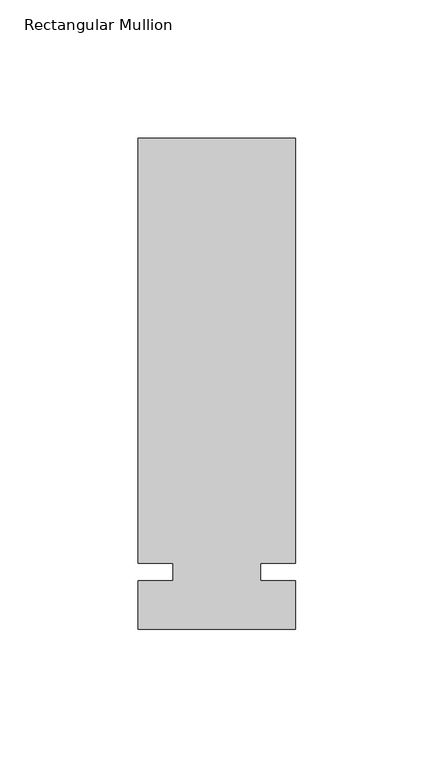
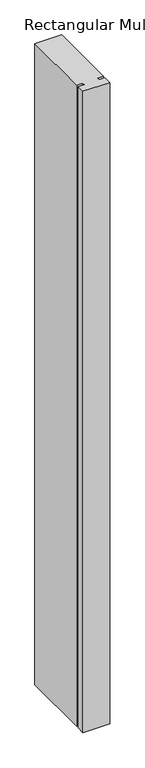
"""IFC4 building model written with IfcOpenShell, lengths in millimetres: member geometry, Rectangular Mullion."""

from ifc_helpers import new_model, si_unit, frame, origin, place, context, project, spatial, polyline, outline, extrude, source, transform, mapped, element, save


def rectangular_mullion_d367d9cf(model_context):
    return source(origin(), model_context, "Body", "SweptSolid", [
        extrude(outline(polyline([(32.9094027, 157.1625), (32.9094027, 3.175), (20.2076322, 3.175), (20.2076322, -3.175), (32.9094027, -3.175), (32.9094027, -20.6375), (-24.2405973, -20.6375), (-24.2405973, -3.175), (-11.5405973, -3.175), (-11.5405973, 3.175), (-24.2405973, 3.175), (-24.2405973, 157.1625), (32.9094027, 157.1625)])), frame((0.0, 0.0, -1449.9166667), z_axis=(0.0, 0.0, 1.0), x_axis=(1.0, 0.0, 0.0)), (0.0, 0.0, 1.0), 1449.9166667),
    ])


if __name__ == "__main__":
    model = new_model("IFC4")
    model_context = context("Model", 3, world=origin())
    ifc_project = project(units=[si_unit("LENGTHUNIT", "METRE", prefix="MILLI")], contexts=[model_context])
    site = spatial("IfcSite", under=ifc_project)
    building = spatial("IfcBuilding", under=site)
    placement = place(None, origin())
    rectangular_mullion_shape = rectangular_mullion_d367d9cf(model_context)
    element("IfcMember", 1, ObjectType="Rectangular Mullion", at=placement, inside=building, context=model_context, shape_type="MappedRepresentation", body=[
        mapped(rectangular_mullion_shape, transform((0.0, 0.0, 0.0), x_axis=(1.0, 0.0, 0.0), y_axis=(0.0, 1.0, 0.0), z_axis=(0.0, 0.0, 1.0))),
    ])
    save(model, "model.ifc")
